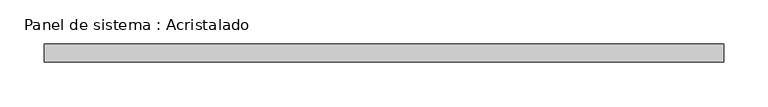
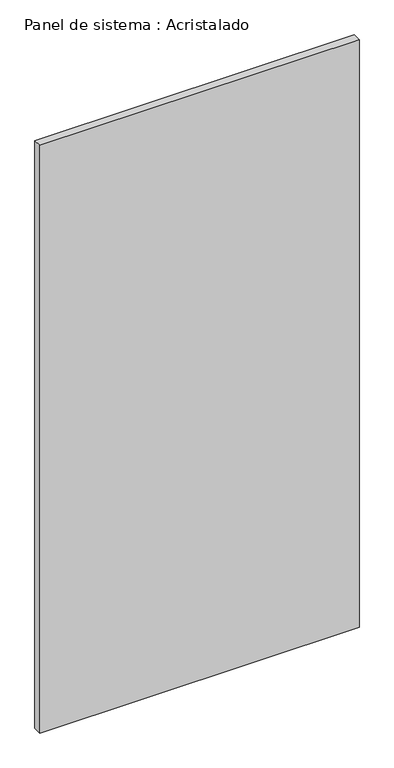
"""IFC4 building model written with IfcOpenShell, lengths in millimetres: plate geometry, Panel de sistema : Acristalado."""

from ifc_helpers import new_model, si_unit, origin, origin_with_axes, place, context, project, spatial, polyline, outline, extrude, source, transform, mapped, element, save


def panel_de_sistema_acristalado_d037812f(model_context):
    return source(origin(), model_context, "Body", "SweptSolid", [
        extrude(outline(polyline([(381.5721272, -10.0), (-381.5721272, -10.0), (-381.5721272, 10.0), (381.5721272, 10.0), (381.5721272, -10.0)])), origin_with_axes(), (0.0, 0.0, 1.0), 1484.7728258),
    ])


if __name__ == "__main__":
    model = new_model("IFC4")
    model_context = context("Model", 3, world=origin())
    ifc_project = project(units=[si_unit("LENGTHUNIT", "METRE", prefix="MILLI")], contexts=[model_context])
    site = spatial("IfcSite", under=ifc_project)
    building = spatial("IfcBuilding", under=site)
    placement = place(None, origin())
    panel_de_sistema_acristalado_shape = panel_de_sistema_acristalado_d037812f(model_context)
    element("IfcPlate", 1, ObjectType="Panel de sistema : Acristalado", at=placement, inside=building, context=model_context, shape_type="MappedRepresentation", body=[
        mapped(panel_de_sistema_acristalado_shape, transform((0.0, 0.0, 0.0), x_axis=(1.0, 0.0, 0.0), y_axis=(0.0, 1.0, 0.0), z_axis=(0.0, 0.0, 1.0))),
    ])
    save(model, "model.ifc")
